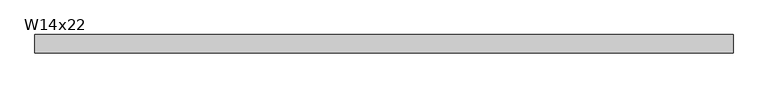
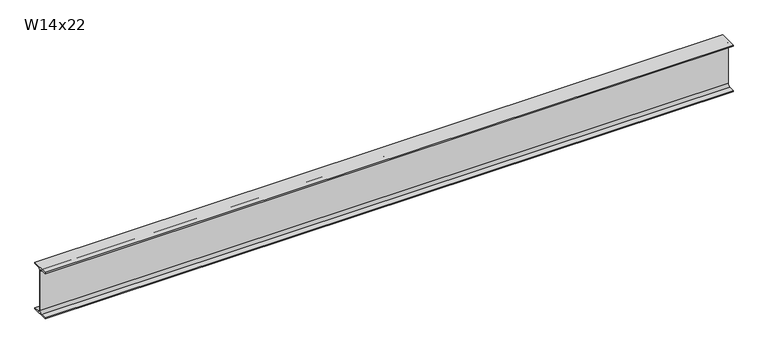
"""IFC4 building model written with IfcOpenShell, lengths in millimetres: beam geometry, W14x22."""

import ifcopenshell
import ifcopenshell.guid

model = None  # the IFC model being written
_history = None  # IfcOwnerHistory: only IFC2X3 demands one
_inside = {}  # id of a spatial element -> (the spatial element, [elements in it])
_under = {}  # id of a project, library or spatial element -> (it, [spatial elements below it])
_declared = {}  # id of a project -> (the project, [libraries it declares])
_typed = {}  # id of a type object -> (the type object, [elements of that type])
_made_of = {}  # id of a material, layer set ... -> (it, [elements and type objects made of it])


def new_model(schema):
    """Start an empty IFC model of exactly this schema.

    Asked for "IFC4X3", IfcOpenShell would pick the latest addendum, in which some entities
    have other attributes; the version numbers below select the first issue.
    IFC2X3 requires an IfcOwnerHistory on every rooted entity: one is made here for all.
    """
    global model, _history
    if schema == "IFC4X3":
        model = ifcopenshell.file(schema_version=(4, 3, 0, 0))
    else:
        model = ifcopenshell.file(schema=schema)
    _inside.clear()
    _under.clear()
    _declared.clear()
    _typed.clear()
    _made_of.clear()
    _history = None
    if model.schema == "IFC2X3":
        org = make("IfcOrganization", Name="unknown")
        user = make(
            "IfcPersonAndOrganization",
            ThePerson=make("IfcPerson", FamilyName="unknown"),
            TheOrganization=org,
        )
        app = make(
            "IfcApplication",
            ApplicationDeveloper=org,
            Version="unknown",
            ApplicationFullName="unknown",
            ApplicationIdentifier="unknown",
        )
        _history = make(
            "IfcOwnerHistory",
            OwningUser=user,
            OwningApplication=app,
            ChangeAction="ADDED",
            CreationDate=0,
        )
    return model


def make(cls, **values):
    """One entity of the class cls with the attributes given. An attribute that is None is left unset."""
    return model.create_entity(
        cls, **{name: value for name, value in values.items() if value is not None}
    )


def rooted(cls, **values):
    """An entity with a GlobalId (a new one), such as an element, a storey or a relation."""
    return make(cls, GlobalId=ifcopenshell.guid.new(), OwnerHistory=_history, **values)


def si_unit(unit_type, name, prefix=None):
    """IfcSIUnit, for example si_unit("LENGTHUNIT", "METRE", prefix="MILLI")."""
    return make("IfcSIUnit", UnitType=unit_type, Prefix=prefix, Name=name)


def assignment(units):
    """IfcUnitAssignment: the units of a project."""
    return None if units is None else make("IfcUnitAssignment", Units=units)


def point(xyz):
    """IfcCartesianPoint."""
    return None if xyz is None else make("IfcCartesianPoint", Coordinates=xyz)


def direction(xyz):
    """IfcDirection."""
    return None if xyz is None else make("IfcDirection", DirectionRatios=xyz)


def frame(location, z_axis=None, x_axis=None):
    """IfcAxis2Placement3D, a coordinate frame: its origin and axes. An axis left out is left unset."""
    return make(
        "IfcAxis2Placement3D",
        Location=point(location),
        Axis=direction(z_axis),
        RefDirection=direction(x_axis),
    )


def frame_2d(location, x_axis=None):
    """IfcAxis2Placement2D, a coordinate frame in the plane: its origin and x axis."""
    return make(
        "IfcAxis2Placement2D", Location=point(location), RefDirection=direction(x_axis)
    )


def origin():
    """The frame at (0, 0, 0) with its axes left unset."""
    return frame((0.0, 0.0, 0.0))


def place(relative_to, where):
    """IfcLocalPlacement: puts the frame where relative to a parent placement (None: the world)."""
    return make(
        "IfcLocalPlacement", PlacementRelTo=relative_to, RelativePlacement=where
    )


def context(
    kind, dimensions, precision=None, world=None, true_north=None, identifier=None
):
    """IfcGeometricRepresentationContext, for example the 3D "Model" context."""
    return make(
        "IfcGeometricRepresentationContext",
        ContextIdentifier=identifier,
        ContextType=kind,
        CoordinateSpaceDimension=dimensions,
        Precision=precision,
        WorldCoordinateSystem=world,
        TrueNorth=true_north,
    )


def project(units=None, contexts=None):
    """IfcProject with its units and contexts."""
    return rooted(
        "IfcProject",
        Name="project",
        RepresentationContexts=contexts,
        UnitsInContext=assignment(units),
    )


def spatial(cls, under=None, at=None, **own):
    """A site, building, storey or space (cls), placed at a placement, below another one or the project."""
    s = rooted(cls, ObjectPlacement=at, **own)
    if under is not None:
        _under.setdefault(under.id(), (under, []))[1].append(s)
    return s


def polyline(points):
    """IfcPolyline through the points."""
    return make("IfcPolyline", Points=[point(p) for p in points])


def circle_curve(where, radius):
    """IfcCircle in the frame where."""
    return make("IfcCircle", Position=where, Radius=radius)


def trimmed(basis, trim1, trim2, sense, master):
    """IfcTrimmedCurve: the piece of a basis curve between two trims."""
    return make(
        "IfcTrimmedCurve",
        BasisCurve=basis,
        Trim1=trim1,
        Trim2=trim2,
        SenseAgreement=sense,
        MasterRepresentation=master,
    )


def segment(curve, same_sense, transition):
    """IfcCompositeCurveSegment."""
    return make(
        "IfcCompositeCurveSegment",
        Transition=transition,
        SameSense=same_sense,
        ParentCurve=curve,
    )


def composite_curve(segments, self_intersect=None):
    """IfcCompositeCurve: segments joined end to end."""
    return make("IfcCompositeCurve", Segments=segments, SelfIntersect=self_intersect)


def outline(outer, holes=None, kind="AREA"):
    """IfcArbitraryClosedProfileDef: a profile drawn as a closed curve; with holes, ...WithVoids."""
    if holes is None:
        return make("IfcArbitraryClosedProfileDef", ProfileType=kind, OuterCurve=outer)
    return make(
        "IfcArbitraryProfileDefWithVoids",
        ProfileType=kind,
        OuterCurve=outer,
        InnerCurves=holes,
    )


def extrude(swept, where, along, depth):
    """IfcExtrudedAreaSolid: the profile swept, set in the frame where, extruded along a direction by depth."""
    return make(
        "IfcExtrudedAreaSolid",
        SweptArea=swept,
        Position=where,
        ExtrudedDirection=direction(along),
        Depth=depth,
    )


def shape(context_of_items, identifier, shape_type, items):
    """IfcShapeRepresentation: the items that make up one representation, for example the "Body"."""
    return make(
        "IfcShapeRepresentation",
        ContextOfItems=context_of_items,
        RepresentationIdentifier=identifier,
        RepresentationType=shape_type,
        Items=items,
    )


def source(mapping_origin, context_of_items, identifier, shape_type, items):
    """IfcRepresentationMap: a shape defined once, which mapped items show again and again."""
    return make(
        "IfcRepresentationMap",
        MappingOrigin=mapping_origin,
        MappedRepresentation=shape(context_of_items, identifier, shape_type, items),
    )


def transform(
    local_origin,
    x_axis=None,
    y_axis=None,
    z_axis=None,
    scale=None,
    scale2=None,
    scale3=None,
    uniform=True,
):
    """IfcCartesianTransformationOperator3D, or its non-uniform kind. x_axis, y_axis, z_axis: its Axis1, 2, 3."""
    if uniform:
        return make(
            "IfcCartesianTransformationOperator3D",
            Axis1=direction(x_axis),
            Axis2=direction(y_axis),
            LocalOrigin=point(local_origin),
            Scale=scale,
            Axis3=direction(z_axis),
        )
    return make(
        "IfcCartesianTransformationOperator3DnonUniform",
        Axis1=direction(x_axis),
        Axis2=direction(y_axis),
        LocalOrigin=point(local_origin),
        Scale=scale,
        Axis3=direction(z_axis),
        Scale2=scale2,
        Scale3=scale3,
    )


def mapped(mapping_source, mapping_target):
    """IfcMappedItem: shows the shape of a source again, moved by a transform."""
    return make(
        "IfcMappedItem", MappingSource=mapping_source, MappingTarget=mapping_target
    )


def made_of(thing, what):
    """Note that an element or type object is made of a material, layer set ...; save() writes the relation."""
    if what is not None:
        _made_of.setdefault(what.id(), (what, []))[1].append(thing)
    return thing


def element(
    cls,
    number,
    at=None,
    inside=None,
    cuts=None,
    type_object=None,
    material=None,
    context=None,
    identifier="Body",
    shape_type=None,
    held_by="IfcProductDefinitionShape",
    body=None,
    shapes=None,
    **own,
):
    """One element of the class cls, such as IfcWall. Its Tag is "e" and its number.

    at: its placement. inside: the storey or other place that contains it. cuts: it is an
    opening in that element (IfcRelVoidsElement). A single representation is given by context,
    identifier, shape_type and body (its items); several are given by shapes. held_by: the class
    of the entity that holds the representations. save() writes the other relations.
    """
    e = rooted(cls, Tag="e%d" % number, ObjectPlacement=at, **own)
    if body is not None:
        shapes = [shape(context, identifier, shape_type, body)]
    if shapes is not None:
        e.Representation = make(held_by, Representations=shapes)
    if inside is not None:
        _inside.setdefault(inside.id(), (inside, []))[1].append(e)
    if cuts is not None:
        rooted(
            "IfcRelVoidsElement", RelatingBuildingElement=cuts, RelatedOpeningElement=e
        )
    if type_object is not None:
        _typed.setdefault(type_object.id(), (type_object, []))[1].append(e)
    return made_of(e, material)


def aggregate(whole, parts):
    """IfcRelAggregates: a whole, such as a stair, and the parts it consists of."""
    return rooted("IfcRelAggregates", RelatingObject=whole, RelatedObjects=parts)


def save(model, path):
    """Write the relations noted so far, then the file.

    IfcRelAggregates (storeys below a building ...), IfcRelContainedInSpatialStructure (elements
    in a storey), IfcRelDefinesByType, IfcRelAssociatesMaterial and IfcRelDeclares: one each for
    every whole, place, type object, material and project.
    """
    for whole, parts in _under.values():
        aggregate(whole, parts)
    for where, things in _inside.values():
        rooted(
            "IfcRelContainedInSpatialStructure",
            RelatedElements=things,
            RelatingStructure=where,
        )
    for kind, things in _typed.values():
        rooted("IfcRelDefinesByType", RelatedObjects=things, RelatingType=kind)
    for what, things in _made_of.values():
        rooted("IfcRelAssociatesMaterial", RelatedObjects=things, RelatingMaterial=what)
    for by, libraries in _declared.values():
        rooted("IfcRelDeclares", RelatingContext=by, RelatedDefinitions=libraries)
    model.write(path)


def w14x22_ef939f20(model_context):
    return source(origin(), model_context, "Body", "SweptSolid", [
        extrude(outline(composite_curve([segment(polyline([(63.5, -165.481), (63.5, -173.99), (-63.5, -173.99), (-63.5, -165.481), (-21.3995, -165.481)]), True, "CONTINUOUS"), segment(trimmed(circle_curve(frame_2d((-21.3995, -147.0025)), 18.4785), [point((-21.3995, -165.481))], [point((-2.921, -147.0025))], True, "CARTESIAN"), True, "CONTINUOUS"), segment(polyline([(-2.921, -147.0025), (-2.921, 147.0025)]), True, "CONTINUOUS"), segment(trimmed(circle_curve(frame_2d((-21.3995, 147.0025)), 18.4785), [point((-2.921, 147.0025))], [point((-21.3995, 165.481))], True, "CARTESIAN"), True, "CONTINUOUS"), segment(polyline([(-21.3995, 165.481), (-63.5, 165.481), (-63.5, 173.99), (63.5, 173.99), (63.5, 165.481), (21.3995, 165.481)]), True, "CONTINUOUS"), segment(trimmed(circle_curve(frame_2d((21.3995, 147.0025)), 18.4785), [point((21.3995, 165.481))], [point((2.921, 147.0025))], True, "CARTESIAN"), True, "CONTINUOUS"), segment(polyline([(2.921, 147.0025), (2.921, -147.0025)]), True, "CONTINUOUS"), segment(trimmed(circle_curve(frame_2d((21.3995, -147.0025)), 18.4785), [point((2.921, -147.0025))], [point((21.3995, -165.481))], True, "CARTESIAN"), True, "CONTINUOUS"), segment(polyline([(21.3995, -165.481), (63.5, -165.481)]), True, "CONTINUOUS")], self_intersect=False)), frame((-2379.4855969, 0.0, 0.0), z_axis=(1.0, 0.0, 0.0), x_axis=(0.0, 1.0, 0.0)), (0.0, 0.0, 1.0), 4873.35391),
    ])


if __name__ == "__main__":
    model = new_model("IFC4")
    model_context = context("Model", 3, world=origin())
    ifc_project = project(units=[si_unit("LENGTHUNIT", "METRE", prefix="MILLI")], contexts=[model_context])
    site = spatial("IfcSite", under=ifc_project)
    building = spatial("IfcBuilding", under=site)
    placement = place(None, origin())
    w14x22_shape = w14x22_ef939f20(model_context)
    element("IfcBeam", 1, ObjectType="W14x22", at=placement, inside=building, context=model_context, shape_type="MappedRepresentation", body=[
        mapped(w14x22_shape, transform((0.0, 0.0, 0.0), x_axis=(1.0, 0.0, 0.0), y_axis=(0.0, 1.0, 0.0), z_axis=(0.0, 0.0, 1.0))),
    ])
    save(model, "model.ifc")
